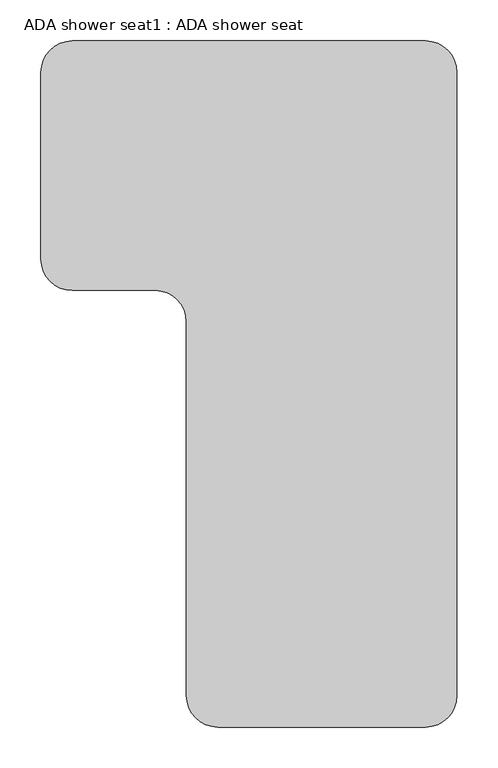
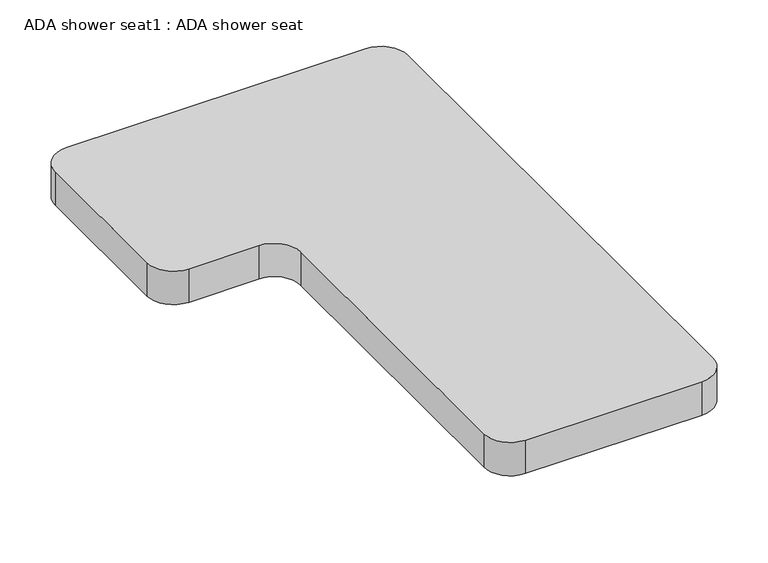
"""IFC4 building model written with IfcOpenShell, lengths in millimetres: proxy geometry, ADA shower seat1 : ADA shower seat."""

from ifc_helpers import new_model, si_unit, point, frame, frame_2d, origin, place, context, project, spatial, polyline, circle_curve, trimmed, segment, composite_curve, outline, extrude, source, transform, mapped, element, save


def ada_shower_seat1_ada_shower_seat_5c75fd12(model_context):
    return source(origin(), model_context, "Body", "SweptSolid", [
        extrude(outline(composite_curve([segment(polyline([(912951.00629, 52304.95), (913382.80629, 52304.95)]), True, "CONTINUOUS"), segment(trimmed(circle_curve(frame_2d((913382.80629, 52266.85)), 38.1), [point((913382.80629, 52304.95))], [point((913420.90629, 52266.85))], False, "CARTESIAN"), True, "CONTINUOUS"), segment(polyline([(913420.90629, 52266.85), (913420.90629, 51504.85)]), True, "CONTINUOUS"), segment(trimmed(circle_curve(frame_2d((913382.80629, 51504.85)), 38.1), [point((913420.90629, 51504.85))], [point((913382.80629, 51466.75))], False, "CARTESIAN"), True, "CONTINUOUS"), segment(polyline([(913382.80629, 51466.75), (913128.80629, 51466.75)]), True, "CONTINUOUS"), segment(trimmed(circle_curve(frame_2d((913128.80629, 51504.85)), 38.1), [point((913128.80629, 51466.75))], [point((913090.70629, 51504.85))], False, "CARTESIAN"), True, "CONTINUOUS"), segment(polyline([(913090.70629, 51504.85), (913090.70629, 51962.05)]), True, "CONTINUOUS"), segment(trimmed(circle_curve(frame_2d((913052.60629, 51962.05)), 38.1), [point((913090.70629, 51962.05))], [point((913052.60629, 52000.15))], True, "CARTESIAN"), True, "CONTINUOUS"), segment(polyline([(913052.60629, 52000.15), (912951.00629, 52000.15)]), True, "CONTINUOUS"), segment(trimmed(circle_curve(frame_2d((912951.00629, 52038.25)), 38.1), [point((912951.00629, 52000.15))], [point((912912.90629, 52038.25))], False, "CARTESIAN"), True, "CONTINUOUS"), segment(polyline([(912912.90629, 52038.25), (912912.90629, 52266.85)]), True, "CONTINUOUS"), segment(trimmed(circle_curve(frame_2d((912951.00629, 52266.85)), 38.1), [point((912912.90629, 52266.85))], [point((912951.00629, 52304.95))], False, "CARTESIAN"), True, "CONTINUOUS")], self_intersect=False)), frame((0.0, 0.0, 406.4), z_axis=(0.0, 0.0, 1.0), x_axis=(1.0, 0.0, 0.0)), (0.0, 0.0, 1.0), 50.8),
    ])


if __name__ == "__main__":
    model = new_model("IFC4")
    model_context = context("Model", 3, world=origin())
    ifc_project = project(units=[si_unit("LENGTHUNIT", "METRE", prefix="MILLI")], contexts=[model_context])
    site = spatial("IfcSite", under=ifc_project)
    building = spatial("IfcBuilding", under=site)
    placement = place(None, origin())
    ada_shower_seat1_ada_shower_seat_shape = ada_shower_seat1_ada_shower_seat_5c75fd12(model_context)
    element("IfcBuildingElementProxy", 1, Name="ADA shower seat1 : ADA shower seat", ObjectType="ADA shower seat1 : ADA shower seat", at=placement, inside=building, context=model_context, shape_type="MappedRepresentation", body=[
        mapped(ada_shower_seat1_ada_shower_seat_shape, transform((0.0, 0.0, 0.0), x_axis=(1.0, 0.0, 0.0), y_axis=(0.0, 1.0, 0.0), z_axis=(0.0, 0.0, 1.0))),
    ])
    save(model, "model.ifc")
